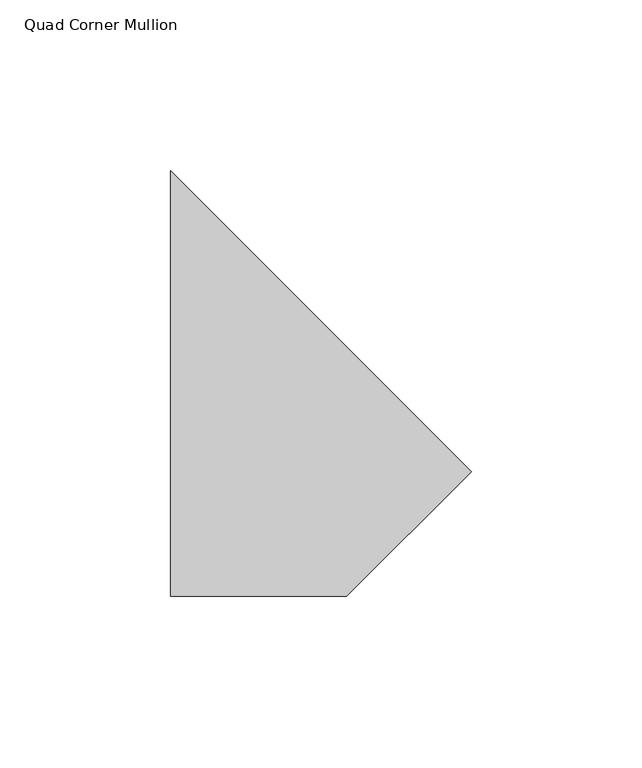
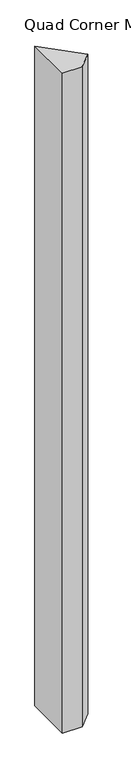
"""IFC4 building model written with IfcOpenShell, lengths in millimetres: member geometry, Quad Corner Mullion."""

from ifc_helpers import new_model, si_unit, frame, origin, place, context, project, spatial, polyline, outline, extrude, source, transform, mapped, element, save


def quad_corner_mullion_8c19097d(model_context):
    return source(origin(), model_context, "Body", "SweptSolid", [
        extrude(outline(polyline([(55.9477351, -10.3518121), (19.4186878, -46.8808594), (-32.2411864, -46.8808594), (-32.2411864, 77.8371094), (55.9477351, -10.3518121)])), frame((0.0, 0.0, -1828.8), z_axis=(0.0, 0.0, 1.0), x_axis=(1.0, 0.0, 0.0)), (0.0, 0.0, 1.0), 1828.8),
    ])


if __name__ == "__main__":
    model = new_model("IFC4")
    model_context = context("Model", 3, world=origin())
    ifc_project = project(units=[si_unit("LENGTHUNIT", "METRE", prefix="MILLI")], contexts=[model_context])
    site = spatial("IfcSite", under=ifc_project)
    building = spatial("IfcBuilding", under=site)
    placement = place(None, origin())
    quad_corner_mullion_shape = quad_corner_mullion_8c19097d(model_context)
    element("IfcMember", 1, ObjectType="Quad Corner Mullion", at=placement, inside=building, context=model_context, shape_type="MappedRepresentation", body=[
        mapped(quad_corner_mullion_shape, transform((0.0, 0.0, 0.0), x_axis=(1.0, 0.0, 0.0), y_axis=(0.0, 1.0, 0.0), z_axis=(0.0, 0.0, 1.0))),
    ])
    save(model, "model.ifc")
